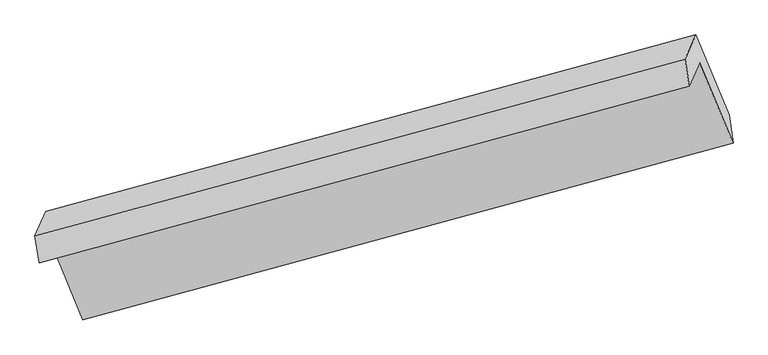
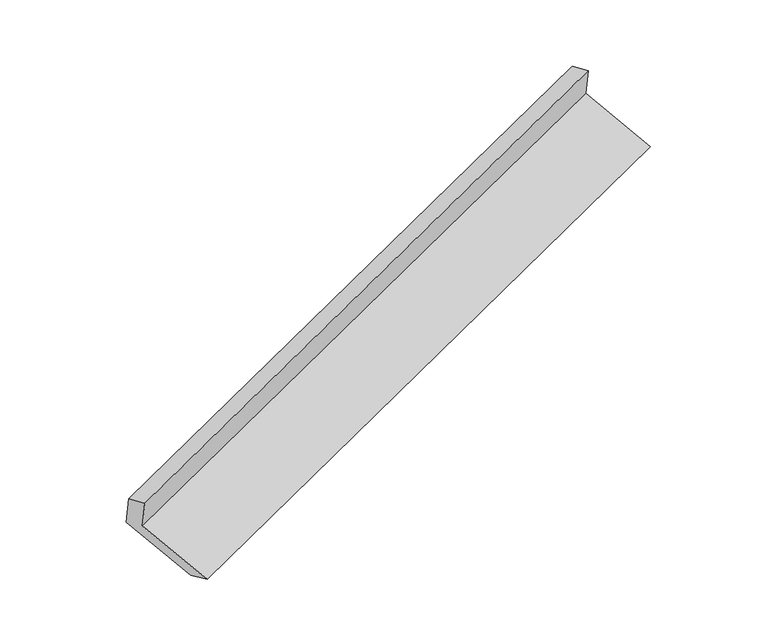
"""IFC4 building model written with IfcOpenShell, lengths in millimetres: proxy geometry."""

import ifcopenshell
import ifcopenshell.guid

model = None  # the IFC model being written
_history = None  # IfcOwnerHistory: only IFC2X3 demands one
_inside = {}  # id of a spatial element -> (the spatial element, [elements in it])
_under = {}  # id of a project, library or spatial element -> (it, [spatial elements below it])
_declared = {}  # id of a project -> (the project, [libraries it declares])
_typed = {}  # id of a type object -> (the type object, [elements of that type])
_made_of = {}  # id of a material, layer set ... -> (it, [elements and type objects made of it])


def new_model(schema):
    """Start an empty IFC model of exactly this schema.

    Asked for "IFC4X3", IfcOpenShell would pick the latest addendum, in which some entities
    have other attributes; the version numbers below select the first issue.
    IFC2X3 requires an IfcOwnerHistory on every rooted entity: one is made here for all.
    """
    global model, _history
    if schema == "IFC4X3":
        model = ifcopenshell.file(schema_version=(4, 3, 0, 0))
    else:
        model = ifcopenshell.file(schema=schema)
    _inside.clear()
    _under.clear()
    _declared.clear()
    _typed.clear()
    _made_of.clear()
    _history = None
    if model.schema == "IFC2X3":
        org = make("IfcOrganization", Name="unknown")
        user = make(
            "IfcPersonAndOrganization",
            ThePerson=make("IfcPerson", FamilyName="unknown"),
            TheOrganization=org,
        )
        app = make(
            "IfcApplication",
            ApplicationDeveloper=org,
            Version="unknown",
            ApplicationFullName="unknown",
            ApplicationIdentifier="unknown",
        )
        _history = make(
            "IfcOwnerHistory",
            OwningUser=user,
            OwningApplication=app,
            ChangeAction="ADDED",
            CreationDate=0,
        )
    return model


def make(cls, **values):
    """One entity of the class cls with the attributes given. An attribute that is None is left unset."""
    return model.create_entity(
        cls, **{name: value for name, value in values.items() if value is not None}
    )


def rooted(cls, **values):
    """An entity with a GlobalId (a new one), such as an element, a storey or a relation."""
    return make(cls, GlobalId=ifcopenshell.guid.new(), OwnerHistory=_history, **values)


def si_unit(unit_type, name, prefix=None):
    """IfcSIUnit, for example si_unit("LENGTHUNIT", "METRE", prefix="MILLI")."""
    return make("IfcSIUnit", UnitType=unit_type, Prefix=prefix, Name=name)


def assignment(units):
    """IfcUnitAssignment: the units of a project."""
    return None if units is None else make("IfcUnitAssignment", Units=units)


def point(xyz):
    """IfcCartesianPoint."""
    return None if xyz is None else make("IfcCartesianPoint", Coordinates=xyz)


def direction(xyz):
    """IfcDirection."""
    return None if xyz is None else make("IfcDirection", DirectionRatios=xyz)


def frame(location, z_axis=None, x_axis=None):
    """IfcAxis2Placement3D, a coordinate frame: its origin and axes. An axis left out is left unset."""
    return make(
        "IfcAxis2Placement3D",
        Location=point(location),
        Axis=direction(z_axis),
        RefDirection=direction(x_axis),
    )


def origin():
    """The frame at (0, 0, 0) with its axes left unset."""
    return frame((0.0, 0.0, 0.0))


def place(relative_to, where):
    """IfcLocalPlacement: puts the frame where relative to a parent placement (None: the world)."""
    return make(
        "IfcLocalPlacement", PlacementRelTo=relative_to, RelativePlacement=where
    )


def context(
    kind, dimensions, precision=None, world=None, true_north=None, identifier=None
):
    """IfcGeometricRepresentationContext, for example the 3D "Model" context."""
    return make(
        "IfcGeometricRepresentationContext",
        ContextIdentifier=identifier,
        ContextType=kind,
        CoordinateSpaceDimension=dimensions,
        Precision=precision,
        WorldCoordinateSystem=world,
        TrueNorth=true_north,
    )


def project(units=None, contexts=None):
    """IfcProject with its units and contexts."""
    return rooted(
        "IfcProject",
        Name="project",
        RepresentationContexts=contexts,
        UnitsInContext=assignment(units),
    )


def spatial(cls, under=None, at=None, **own):
    """A site, building, storey or space (cls), placed at a placement, below another one or the project."""
    s = rooted(cls, ObjectPlacement=at, **own)
    if under is not None:
        _under.setdefault(under.id(), (under, []))[1].append(s)
    return s


def polyline(points):
    """IfcPolyline through the points."""
    return make("IfcPolyline", Points=[point(p) for p in points])


def outline(outer, holes=None, kind="AREA"):
    """IfcArbitraryClosedProfileDef: a profile drawn as a closed curve; with holes, ...WithVoids."""
    if holes is None:
        return make("IfcArbitraryClosedProfileDef", ProfileType=kind, OuterCurve=outer)
    return make(
        "IfcArbitraryProfileDefWithVoids",
        ProfileType=kind,
        OuterCurve=outer,
        InnerCurves=holes,
    )


def extrude(swept, where, along, depth):
    """IfcExtrudedAreaSolid: the profile swept, set in the frame where, extruded along a direction by depth."""
    return make(
        "IfcExtrudedAreaSolid",
        SweptArea=swept,
        Position=where,
        ExtrudedDirection=direction(along),
        Depth=depth,
    )


def shape(context_of_items, identifier, shape_type, items):
    """IfcShapeRepresentation: the items that make up one representation, for example the "Body"."""
    return make(
        "IfcShapeRepresentation",
        ContextOfItems=context_of_items,
        RepresentationIdentifier=identifier,
        RepresentationType=shape_type,
        Items=items,
    )


def source(mapping_origin, context_of_items, identifier, shape_type, items):
    """IfcRepresentationMap: a shape defined once, which mapped items show again and again."""
    return make(
        "IfcRepresentationMap",
        MappingOrigin=mapping_origin,
        MappedRepresentation=shape(context_of_items, identifier, shape_type, items),
    )


def transform(
    local_origin,
    x_axis=None,
    y_axis=None,
    z_axis=None,
    scale=None,
    scale2=None,
    scale3=None,
    uniform=True,
):
    """IfcCartesianTransformationOperator3D, or its non-uniform kind. x_axis, y_axis, z_axis: its Axis1, 2, 3."""
    if uniform:
        return make(
            "IfcCartesianTransformationOperator3D",
            Axis1=direction(x_axis),
            Axis2=direction(y_axis),
            LocalOrigin=point(local_origin),
            Scale=scale,
            Axis3=direction(z_axis),
        )
    return make(
        "IfcCartesianTransformationOperator3DnonUniform",
        Axis1=direction(x_axis),
        Axis2=direction(y_axis),
        LocalOrigin=point(local_origin),
        Scale=scale,
        Axis3=direction(z_axis),
        Scale2=scale2,
        Scale3=scale3,
    )


def mapped(mapping_source, mapping_target):
    """IfcMappedItem: shows the shape of a source again, moved by a transform."""
    return make(
        "IfcMappedItem", MappingSource=mapping_source, MappingTarget=mapping_target
    )


def made_of(thing, what):
    """Note that an element or type object is made of a material, layer set ...; save() writes the relation."""
    if what is not None:
        _made_of.setdefault(what.id(), (what, []))[1].append(thing)
    return thing


def element(
    cls,
    number,
    at=None,
    inside=None,
    cuts=None,
    type_object=None,
    material=None,
    context=None,
    identifier="Body",
    shape_type=None,
    held_by="IfcProductDefinitionShape",
    body=None,
    shapes=None,
    **own,
):
    """One element of the class cls, such as IfcWall. Its Tag is "e" and its number.

    at: its placement. inside: the storey or other place that contains it. cuts: it is an
    opening in that element (IfcRelVoidsElement). A single representation is given by context,
    identifier, shape_type and body (its items); several are given by shapes. held_by: the class
    of the entity that holds the representations. save() writes the other relations.
    """
    e = rooted(cls, Tag="e%d" % number, ObjectPlacement=at, **own)
    if body is not None:
        shapes = [shape(context, identifier, shape_type, body)]
    if shapes is not None:
        e.Representation = make(held_by, Representations=shapes)
    if inside is not None:
        _inside.setdefault(inside.id(), (inside, []))[1].append(e)
    if cuts is not None:
        rooted(
            "IfcRelVoidsElement", RelatingBuildingElement=cuts, RelatedOpeningElement=e
        )
    if type_object is not None:
        _typed.setdefault(type_object.id(), (type_object, []))[1].append(e)
    return made_of(e, material)


def aggregate(whole, parts):
    """IfcRelAggregates: a whole, such as a stair, and the parts it consists of."""
    return rooted("IfcRelAggregates", RelatingObject=whole, RelatedObjects=parts)


def save(model, path):
    """Write the relations noted so far, then the file.

    IfcRelAggregates (storeys below a building ...), IfcRelContainedInSpatialStructure (elements
    in a storey), IfcRelDefinesByType, IfcRelAssociatesMaterial and IfcRelDeclares: one each for
    every whole, place, type object, material and project.
    """
    for whole, parts in _under.values():
        aggregate(whole, parts)
    for where, things in _inside.values():
        rooted(
            "IfcRelContainedInSpatialStructure",
            RelatedElements=things,
            RelatingStructure=where,
        )
    for kind, things in _typed.values():
        rooted("IfcRelDefinesByType", RelatedObjects=things, RelatingType=kind)
    for what, things in _made_of.values():
        rooted("IfcRelAssociatesMaterial", RelatedObjects=things, RelatingMaterial=what)
    for by, libraries in _declared.values():
        rooted("IfcRelDeclares", RelatingContext=by, RelatedDefinitions=libraries)
    model.write(path)


def generic_models_373e9855(model_context):
    return source(origin(), model_context, "Body", "SweptSolid", [
        extrude(outline(polyline([(-56.7787414, -141.7009358), (327.5229261, -141.7009357), (191.545964, -295.8961631), (-202.7557035, -295.8961631), (-202.7557035, 360.4994853), (-56.7787414, 514.6947127), (-56.7787414, -141.7009358)])), frame((-5157.5871014, -2130.8670213, 1113.8441868), z_axis=(0.9130539331317906, 0.24854162500441324, 0.32335673154077565), x_axis=(-0.193666563204203, -0.4335356273908347, 0.8800796112167967)), (0.0, 0.0, 1.0), 5030.5195664),
    ])


if __name__ == "__main__":
    model = new_model("IFC4")
    model_context = context("Model", 3, world=origin())
    ifc_project = project(units=[si_unit("LENGTHUNIT", "METRE", prefix="MILLI")], contexts=[model_context])
    site = spatial("IfcSite", under=ifc_project)
    building = spatial("IfcBuilding", under=site)
    placement = place(None, origin())
    generic_models_shape = generic_models_373e9855(model_context)
    element("IfcBuildingElementProxy", 1, Name="Generic Models", at=placement, inside=building, context=model_context, shape_type="MappedRepresentation", body=[
        mapped(generic_models_shape, transform((0.0, 0.0, 0.0), x_axis=(1.0, 0.0, 0.0), y_axis=(0.0, 1.0, 0.0), z_axis=(0.0, 0.0, 1.0))),
    ])
    save(model, "model.ifc")
